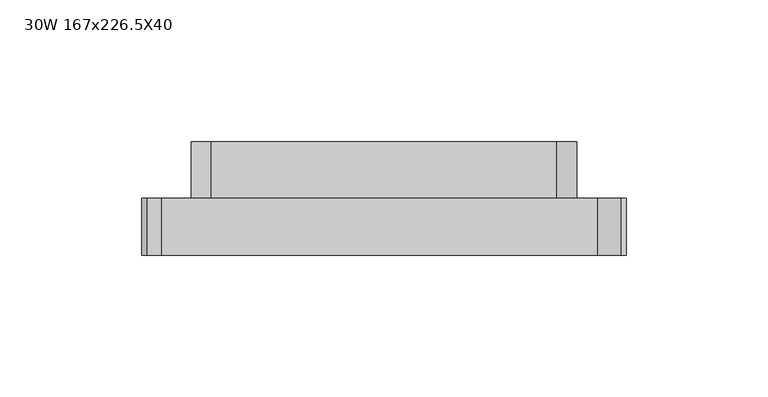
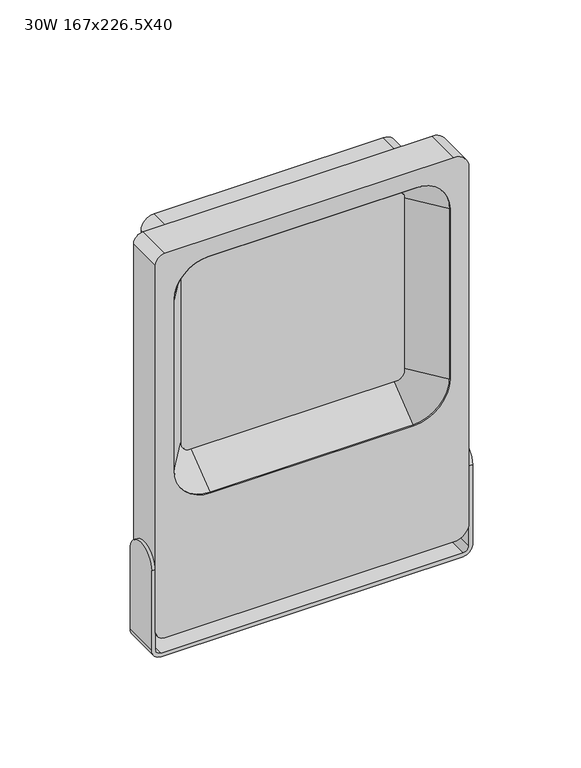
"""IFC4 building model written with IfcOpenShell, lengths in millimetres: light fixture geometry, 30W 167x226.5X40."""

from ifc_helpers import new_model, si_unit, point, frame, frame_2d, origin, place, context, project, spatial, polyline, circle_curve, trimmed, segment, composite_curve, outline, extrude, source, transform, mapped, element, save
from ifc_brep_helpers import plane_surface, cylinder_surface, revolved_surface, advanced_brep


def light_fixture_30w_167x226_5x40_cb94bb70(model_context):
    return source(origin(), model_context, "Body", "SolidModel", [
        extrude(outline(composite_curve([segment(trimmed(circle_curve(frame_2d((91.4881519, 61.0118481)), 7.0), [point((84.4881519, 61.0118481))], [point((91.4881519, 68.0118481))], False, "CARTESIAN"), True, "CONTINUOUS"), segment(polyline([(91.4881519, 68.0118481), (211.5118481, 68.0118481)]), True, "CONTINUOUS"), segment(trimmed(circle_curve(frame_2d((211.5118481, 61.0118481)), 7.0), [point((211.5118481, 68.0118481))], [point((218.5118481, 61.0118481))], False, "CARTESIAN"), True, "CONTINUOUS"), segment(polyline([(218.5118481, 61.0118481), (218.5118481, -61.0118481)]), True, "CONTINUOUS"), segment(trimmed(circle_curve(frame_2d((211.5118481, -61.0118481)), 7.0), [point((218.5118481, -61.0118481))], [point((211.5118481, -68.0118481))], False, "CARTESIAN"), True, "CONTINUOUS"), segment(polyline([(211.5118481, -68.0118481), (91.4881519, -68.0118481)]), True, "CONTINUOUS"), segment(trimmed(circle_curve(frame_2d((91.4881519, -61.0118481)), 7.0), [point((91.4881519, -68.0118481))], [point((84.4881519, -61.0118481))], False, "CARTESIAN"), True, "CONTINUOUS"), segment(polyline([(84.4881519, -61.0118481), (84.4881519, 61.0118481)]), True, "CONTINUOUS")], self_intersect=False)), frame((0.0, 10.0, 0.0), z_axis=(0.0, 1.0, 0.0), x_axis=(0.0, 0.0, 1.0)), (0.0, 0.0, 1.0), 20.0),
        advanced_brep(
        [(75.5, -10.0, 10.0), (83.5, -10.0, 18.0), (83.5, -10.0, 50.0), (83.5, -10.0, 65.0), (83.5, -10.0, 218.5), (75.5, -10.0, 226.5), (-78.5, -10.0, 226.5), (-83.5, -10.0, 221.5), (-83.5, -10.0, 65.0), (-83.5, -10.0, 50.0), (-83.5, -10.0, 15.0), (-78.5, -10.0, 10.0), (-55.5, -10.0, 216.5118481), (55.5, -10.0, 216.5118481), (73.5118481, -10.0, 198.5), (73.5118481, -10.0, 102.3823529), (54.0882353, -10.0, 82.9587401), (-54.0882353, -10.0, 82.9587401), (-73.5118481, -10.0, 102.3823529), (-73.5118481, -10.0, 198.5), (75.5, 10.0, 10.0), (-78.5, 10.0, 10.0), (-83.5, 10.0, 15.0), (-83.5, 10.0, 50.0), (-83.5, 10.0, 65.0), (-83.5, 10.0, 221.5), (-78.5, 10.0, 226.5), (75.5, 10.0, 226.5), (83.5, 10.0, 218.5), (83.5, 10.0, 65.0), (83.5, 10.0, 50.0), (83.5, 10.0, 18.0), (-55.5, 10.0, 216.5118481), (-73.5118481, 10.0, 198.5), (-73.5118481, 10.0, 102.3823529), (-54.0882353, 10.0, 82.9587401), (54.0882353, 10.0, 82.9587401), (73.5118481, 10.0, 102.3823529), (73.5118481, 10.0, 198.5), (55.5, 10.0, 216.5118481)],
        [
            (0, 1, circle_curve(frame((75.5, -10.0, 18.0), z_axis=(0.0, -1.0, 0.0), x_axis=(0.0, 0.0, -1.0)), 8.0)),
            (1, 2),
            (2, 3),
            (3, 4),
            (4, 5, circle_curve(frame((75.5, -10.0, 218.5), z_axis=(0.0, -1.0, 0.0), x_axis=(0.0, 0.0, -1.0)), 8.0)),
            (5, 6),
            (6, 7, circle_curve(frame((-78.5, -10.0, 221.5), z_axis=(0.0, -1.0, 0.0), x_axis=(0.0, 0.0, -1.0)), 5.0)),
            (7, 8),
            (8, 9),
            (9, 10),
            (10, 11, circle_curve(frame((-78.5, -10.0, 15.0), z_axis=(0.0, -1.0, 0.0), x_axis=(0.0, 0.0, -1.0)), 5.0)),
            (11, 0),
            (12, 13),
            (13, 14, circle_curve(frame((55.5, -10.0, 198.5), z_axis=(0.0, 1.0, 0.0), x_axis=(0.0, 0.0, -1.0)), 18.0118481)),
            (14, 15),
            (15, 16, circle_curve(frame((54.0882353, -10.0, 102.3823529), z_axis=(0.0, 1.0, 0.0), x_axis=(0.0, 0.0, -1.0)), 19.4236128)),
            (16, 17),
            (17, 18, circle_curve(frame((-54.0882353, -10.0, 102.3823529), z_axis=(0.0, 1.0, 0.0), x_axis=(0.0, 0.0, -1.0)), 19.4236128)),
            (18, 19),
            (19, 12, circle_curve(frame((-55.5, -10.0, 198.5), z_axis=(0.0, 1.0, 0.0), x_axis=(0.0, 0.0, -1.0)), 18.0118481)),
            (20, 21),
            (21, 22, circle_curve(frame((-78.5, 10.0, 15.0), z_axis=(0.0, 1.0, 0.0), x_axis=(0.0, 0.0, -1.0)), 5.0)),
            (22, 23),
            (23, 24),
            (24, 25),
            (25, 26, circle_curve(frame((-78.5, 10.0, 221.5), z_axis=(0.0, 1.0, 0.0), x_axis=(0.0, 0.0, -1.0)), 5.0)),
            (26, 27),
            (27, 28, circle_curve(frame((75.5, 10.0, 218.5), z_axis=(0.0, 1.0, 0.0), x_axis=(0.0, 0.0, -1.0)), 8.0)),
            (28, 29),
            (29, 30),
            (30, 31),
            (31, 20, circle_curve(frame((75.5, 10.0, 18.0), z_axis=(0.0, 1.0, 0.0), x_axis=(0.0, 0.0, -1.0)), 8.0)),
            (32, 33, circle_curve(frame((-55.5, 10.0, 198.5), z_axis=(0.0, -1.0, 0.0), x_axis=(0.0, 0.0, -1.0)), 18.0118481)),
            (33, 34),
            (34, 35, circle_curve(frame((-54.0882353, 10.0, 102.3823529), z_axis=(0.0, -1.0, 0.0), x_axis=(0.0, 0.0, -1.0)), 19.4236128)),
            (35, 36),
            (36, 37, circle_curve(frame((54.0882353, 10.0, 102.3823529), z_axis=(0.0, -1.0, 0.0), x_axis=(0.0, 0.0, -1.0)), 19.4236128)),
            (37, 38),
            (38, 39, circle_curve(frame((55.5, 10.0, 198.5), z_axis=(0.0, -1.0, 0.0), x_axis=(0.0, 0.0, -1.0)), 18.0118481)),
            (39, 32),
            (0, 20),
            (31, 1),
            (28, 4),
            (27, 5),
            (26, 6),
            (25, 7),
            (22, 10),
            (21, 11),
            (12, 32),
            (39, 13),
            (38, 14),
            (37, 15),
            (36, 16),
            (35, 17),
            (34, 18),
            (33, 19),
        ],
        [
            plane_surface(frame((75.5, -10.0, 10.0), z_axis=(0.0, -1.0, 0.0), x_axis=(1.0, 0.0, 0.0))),
            plane_surface(frame((75.5, 10.0, 10.0), z_axis=(0.0, 1.0, 0.0), x_axis=(-1.0, 0.0, 0.0))),
            cylinder_surface(frame((75.5, 10.0, 18.0), z_axis=(0.0, -1.0, 0.0), x_axis=(0.0, 0.0, -1.0)), 8.0),
            plane_surface(frame((83.5, -10.0, 18.0), z_axis=(1.0, 0.0, 0.0), x_axis=(0.0, 1.0, 0.0))),
            cylinder_surface(frame((75.5, 10.0, 218.5), z_axis=(0.0, -1.0, 0.0), x_axis=(0.0, 0.0, -1.0)), 8.0),
            plane_surface(frame((75.5, -10.0, 226.5), z_axis=(0.0, 0.0, 1.0), x_axis=(0.0, 1.0, 0.0))),
            cylinder_surface(frame((-78.5, 10.0, 221.5), z_axis=(0.0, -1.0, 0.0), x_axis=(0.0, 0.0, -1.0)), 5.0),
            plane_surface(frame((-83.5, -10.0, 221.5), z_axis=(-1.0, 0.0, 0.0), x_axis=(0.0, 1.0, 0.0))),
            cylinder_surface(frame((-78.5, 10.0, 15.0), z_axis=(0.0, -1.0, 0.0), x_axis=(0.0, 0.0, -1.0)), 5.0),
            plane_surface(frame((-78.5, -10.0, 10.0), z_axis=(0.0, 0.0, -1.0), x_axis=(0.0, 1.0, 0.0))),
            plane_surface(frame((-55.5, -10.0, 216.5118481), z_axis=(0.0, 0.0, -1.0), x_axis=(0.0, 1.0, 0.0))),
            revolved_surface(polyline([(55.5, 10.0, 180.4881519), (55.5, -10.0, 180.4881519)]), (55.5, 0.0, 198.5), (0.0, 1.0, 0.0)),
            plane_surface(frame((73.5118481, -10.0, 198.5), z_axis=(-1.0, 0.0, 0.0), x_axis=(0.0, 1.0, 0.0))),
            revolved_surface(polyline([(54.0882353, 10.0, 82.9587401), (54.0882353, -10.0, 82.9587401)]), (54.0882353, 0.0, 102.3823529), (0.0, 1.0, 0.0)),
            plane_surface(frame((54.0882353, -10.0, 82.9587401), z_axis=(0.0, 0.0, 1.0), x_axis=(0.0, 1.0, 0.0))),
            revolved_surface(polyline([(-54.0882353, 10.0, 82.9587401), (-54.0882353, -10.0, 82.9587401)]), (-54.0882353, 0.0, 102.3823529), (0.0, 1.0, 0.0)),
            plane_surface(frame((-73.5118481, -10.0, 102.3823529), z_axis=(1.0, 0.0, 0.0), x_axis=(0.0, 1.0, 0.0))),
            revolved_surface(polyline([(-55.5, 10.0, 180.4881519), (-55.5, -10.0, 180.4881519)]), (-55.5, 0.0, 198.5), (0.0, 1.0, 0.0)),
        ],
        [
            (0, [[1, 2, 3, 4, 5, 6, 7, 8, 9, 10, 11, 12], [13, 14, 15, 16, 17, 18, 19, 20]]),
            (1, [[21, 22, 23, 24, 25, 26, 27, 28, 29, 30, 31, 32], [33, 34, 35, 36, 37, 38, 39, 40]]),
            (2, [[-1, 41, -32, 42]]),
            (3, [[-42, -31, -30, -29, 43, -4, -3, -2]]),
            (4, [[-5, -43, -28, 44]]),
            (5, [[-6, -44, -27, 45]]),
            (6, [[-7, -45, -26, 46]]),
            (7, [[-46, -25, -24, -23, 47, -10, -9, -8]]),
            (8, [[-11, -47, -22, 48]]),
            (9, [[-12, -48, -21, -41]]),
            (10, [[-13, 49, -40, 50]]),
            (11, [[-14, -50, -39, 51]]),
            (12, [[-15, -51, -38, 52]]),
            (13, [[-16, -52, -37, 53]]),
            (14, [[-17, -53, -36, 54]]),
            (15, [[-18, -54, -35, 55]]),
            (16, [[-19, -55, -34, 56]]),
            (17, [[-20, -56, -33, -49]]),
        ],
    ),
        advanced_brep(
        [(-83.5, 10.0, 5.0), (-80.5, 10.0, 2.0), (80.5, 10.0, 2.0), (83.5, 10.0, 5.0), (83.5, 10.0, 50.0), (85.5, 10.0, 50.0), (85.5, 10.0, 5.0), (80.5, 10.0, 0.0), (-80.5, 10.0, 0.0), (-85.5, 10.0, 5.0), (-85.5, 10.0, 50.0), (-83.5, 10.0, 50.0), (-85.5, -10.0, 5.0), (-80.5, -10.0, 0.0), (80.5, -10.0, 0.0), (85.5, -10.0, 5.0), (85.5, -10.0, 50.0), (83.5, -10.0, 50.0), (83.5, -10.0, 5.0), (80.5, -10.0, 2.0), (-80.5, -10.0, 2.0), (-83.5, -10.0, 5.0), (-83.5, -10.0, 50.0), (-85.5, -10.0, 50.0), (85.5, 0.0, 60.0), (83.5, 0.0, 60.0), (-83.5, 0.0, 60.0), (-85.5, 0.0, 60.0)],
        [
            (0, 1, circle_curve(frame((-80.5, 10.0, 5.0), z_axis=(0.0, -1.0, 0.0), x_axis=(1.0, 0.0, 0.0)), 3.0)),
            (1, 2),
            (2, 3, circle_curve(frame((80.5, 10.0, 5.0), z_axis=(0.0, -1.0, 0.0), x_axis=(1.0, 0.0, 0.0)), 3.0)),
            (3, 4),
            (4, 5),
            (5, 6),
            (6, 7, circle_curve(frame((80.5, 10.0, 5.0), z_axis=(0.0, 1.0, 0.0), x_axis=(1.0, 0.0, 0.0)), 5.0)),
            (7, 8),
            (8, 9, circle_curve(frame((-80.5, 10.0, 5.0), z_axis=(0.0, 1.0, 0.0), x_axis=(1.0, 0.0, 0.0)), 5.0)),
            (9, 10),
            (10, 11),
            (11, 0),
            (12, 13, circle_curve(frame((-80.5, -10.0, 5.0), z_axis=(0.0, -1.0, 0.0), x_axis=(1.0, 0.0, 0.0)), 5.0)),
            (13, 14),
            (14, 15, circle_curve(frame((80.5, -10.0, 5.0), z_axis=(0.0, -1.0, 0.0), x_axis=(1.0, 0.0, 0.0)), 5.0)),
            (15, 16),
            (16, 17),
            (17, 18),
            (18, 19, circle_curve(frame((80.5, -10.0, 5.0), z_axis=(0.0, 1.0, 0.0), x_axis=(1.0, 0.0, 0.0)), 3.0)),
            (19, 20),
            (20, 21, circle_curve(frame((-80.5, -10.0, 5.0), z_axis=(0.0, 1.0, 0.0), x_axis=(1.0, 0.0, 0.0)), 3.0)),
            (21, 22),
            (22, 23),
            (23, 12),
            (8, 13),
            (12, 9),
            (7, 14),
            (6, 15),
            (5, 24, circle_curve(frame((85.5, 0.0, 50.0), z_axis=(1.0, 0.0, 0.0), x_axis=(0.0, 0.0, -1.0)), 10.0)),
            (24, 16, circle_curve(frame((85.5, 0.0, 50.0), z_axis=(1.0, 0.0, 0.0), x_axis=(0.0, 0.0, -1.0)), 10.0)),
            (3, 18),
            (17, 25, circle_curve(frame((83.5, 0.0, 50.0), z_axis=(-1.0, 0.0, 0.0), x_axis=(0.0, 0.0, -1.0)), 10.0)),
            (25, 4, circle_curve(frame((83.5, 0.0, 50.0), z_axis=(-1.0, 0.0, 0.0), x_axis=(0.0, 0.0, -1.0)), 10.0)),
            (2, 19),
            (1, 20),
            (0, 21),
            (11, 26, circle_curve(frame((-83.5, 0.0, 50.0), z_axis=(1.0, 0.0, 0.0), x_axis=(0.0, 0.0, 1.0)), 10.0)),
            (26, 22, circle_curve(frame((-83.5, 0.0, 50.0), z_axis=(1.0, 0.0, 0.0), x_axis=(0.0, 0.0, 1.0)), 10.0)),
            (23, 27, circle_curve(frame((-85.5, 0.0, 50.0), z_axis=(-1.0, 0.0, 0.0), x_axis=(0.0, 0.0, 1.0)), 10.0)),
            (27, 10, circle_curve(frame((-85.5, 0.0, 50.0), z_axis=(-1.0, 0.0, 0.0), x_axis=(0.0, 0.0, 1.0)), 10.0)),
        ],
        [
            plane_surface(frame((-75.5, 10.0, 5.0), z_axis=(0.0, 1.0, 0.0), x_axis=(0.0, 0.0, -1.0))),
            plane_surface(frame((-75.5, -10.0, 5.0), z_axis=(0.0, -1.0, 0.0), x_axis=(0.0, 0.0, 1.0))),
            cylinder_surface(frame((-80.5, 10.0, 5.0), z_axis=(0.0, -1.0, 0.0), x_axis=(1.0, 0.0, 0.0)), 5.0),
            plane_surface(frame((-80.5, -10.0, 0.0), z_axis=(0.0, 0.0, -1.0), x_axis=(0.0, 1.0, 0.0))),
            cylinder_surface(frame((80.5, 10.0, 5.0), z_axis=(0.0, -1.0, 0.0), x_axis=(1.0, 0.0, 0.0)), 5.0),
            plane_surface(frame((85.5, -10.0, 5.0), z_axis=(1.0, 0.0, 0.0), x_axis=(0.0, 1.0, 0.0))),
            plane_surface(frame((83.5, -10.0, 60.0), z_axis=(-1.0, 0.0, 0.0), x_axis=(0.0, 1.0, 0.0))),
            revolved_surface(polyline([(83.5, 10.0, 5.0), (83.5, -10.0, 5.0)]), (80.5, 10.0, 5.0), (0.0, 1.0, 0.0)),
            plane_surface(frame((80.5, -10.0, 2.0), z_axis=(0.0, 0.0, 1.0), x_axis=(0.0, 1.0, 0.0))),
            revolved_surface(polyline([(-77.5, 10.0, 5.0), (-77.5, -10.0, 5.0)]), (-80.5, 10.0, 5.0), (0.0, 1.0, 0.0)),
            plane_surface(frame((-83.5, -10.0, 5.0), z_axis=(1.0, 0.0, 0.0), x_axis=(0.0, 1.0, 0.0))),
            plane_surface(frame((-85.5, -10.0, 60.0), z_axis=(-1.0, 0.0, 0.0), x_axis=(0.0, 1.0, 0.0))),
            cylinder_surface(frame((-85.5, 0.0, 50.0), z_axis=(-1.0, 0.0, 0.0), x_axis=(0.0, 0.0, 1.0)), 10.0),
            cylinder_surface(frame((85.5, 0.0, 50.0), z_axis=(1.0, 0.0, 0.0), x_axis=(0.0, 0.0, -1.0)), 10.0),
        ],
        [
            (0, [[1, 2, 3, 4, 5, 6, 7, 8, 9, 10, 11, 12]]),
            (1, [[13, 14, 15, 16, 17, 18, 19, 20, 21, 22, 23, 24]]),
            (2, [[-9, 25, -13, 26]]),
            (3, [[-8, 27, -14, -25]]),
            (4, [[-7, 28, -15, -27]]),
            (5, [[-28, -6, 29, 30, -16]]),
            (6, [[31, -18, 32, 33, -4]]),
            (7, [[-3, 34, -19, -31]]),
            (8, [[-2, 35, -20, -34]]),
            (9, [[-1, 36, -21, -35]]),
            (10, [[-36, -12, 37, 38, -22]]),
            (11, [[-26, -24, 39, 40, -10]]),
            (12, [[-11, -40, -39, -23, -38, -37]]),
            (13, [[-5, -33, -32, -17, -30, -29]]),
        ],
    ),
        extrude(outline(polyline([(59.5118481, 8.0), (-59.5118481, 8.0), (-59.5118481, 10.0), (59.5118481, 10.0), (59.5118481, 8.0)])), frame((0.0, 0.0, 96.9587401), z_axis=(0.0, 0.0, 1.0), x_axis=(1.0, 0.0, 0.0)), (0.0, 0.0, 1.0), 105.553108),
        advanced_brep(
        [(-55.5, 8.0, 202.5118481), (-59.5118481, 8.0, 198.5), (-59.5118481, 10.0, 198.5), (-55.5, 10.0, 202.5118481), (-55.5, -10.0, 216.5118481), (-73.5118481, -10.0, 198.5), (-55.5, 10.0, 216.5118481), (-73.5118481, 10.0, 198.5), (55.5, 10.0, 202.5118481), (55.5, 8.0, 202.5118481), (55.5, -10.0, 216.5118481), (55.5, 10.0, 216.5118481), (59.5118481, 8.0, 198.5), (59.5118481, 10.0, 198.5), (73.5118481, -10.0, 198.5), (73.5118481, 10.0, 198.5), (59.5118481, 10.0, 102.3823529), (59.5118481, 8.0, 102.3823529), (73.5118481, -10.0, 102.3823529), (73.5118481, 10.0, 102.3823529), (54.0882353, 8.0, 96.9587401), (54.0882353, 10.0, 96.9587401), (54.0882353, -10.0, 82.9587401), (54.0882353, 10.0, 82.9587401), (-54.0882353, 10.0, 96.9587401), (-54.0882353, 8.0, 96.9587401), (-54.0882353, -10.0, 82.9587401), (-54.0882353, 10.0, 82.9587401), (-59.5118481, 8.0, 102.3823529), (-59.5118481, 10.0, 102.3823529), (-73.5118481, -10.0, 102.3823529), (-73.5118481, 10.0, 102.3823529)],
        [
            (0, 1, circle_curve(frame((-55.5, 8.0, 198.5), z_axis=(0.0, -1.0, 0.0), x_axis=(-1.0, 0.0, 0.0)), 4.0118481)),
            (1, 2),
            (2, 3, circle_curve(frame((-55.5, 10.0, 198.5), z_axis=(0.0, 1.0, 0.0), x_axis=(-1.0, 0.0, 0.0)), 4.0118481)),
            (3, 0),
            (4, 5, circle_curve(frame((-55.5, -10.0, 198.5), z_axis=(0.0, -1.0, 0.0), x_axis=(-1.0, 0.0, 0.0)), 18.0118481)),
            (5, 1),
            (0, 4),
            (6, 7, circle_curve(frame((-55.5, 10.0, 198.5), z_axis=(0.0, -1.0, 0.0), x_axis=(-1.0, 0.0, 0.0)), 18.0118481)),
            (7, 5),
            (4, 6),
            (3, 8),
            (8, 9),
            (9, 0),
            (9, 10),
            (10, 4),
            (10, 11),
            (11, 6),
            (12, 9, circle_curve(frame((55.5, 8.0, 198.5), z_axis=(0.0, -1.0, 0.0), x_axis=(0.0, 0.0, 1.0)), 4.0118481)),
            (8, 13, circle_curve(frame((55.5, 10.0, 198.5), z_axis=(0.0, 1.0, 0.0), x_axis=(0.0, 0.0, 1.0)), 4.0118481)),
            (13, 12),
            (14, 10, circle_curve(frame((55.5, -10.0, 198.5), z_axis=(0.0, -1.0, 0.0), x_axis=(0.0, 0.0, 1.0)), 18.0118481)),
            (12, 14),
            (15, 11, circle_curve(frame((55.5, 10.0, 198.5), z_axis=(0.0, -1.0, 0.0), x_axis=(0.0, 0.0, 1.0)), 18.0118481)),
            (14, 15),
            (13, 16),
            (16, 17),
            (17, 12),
            (17, 18),
            (18, 14),
            (18, 19),
            (19, 15),
            (20, 17, circle_curve(frame((54.0882353, 8.0, 102.3823529), z_axis=(0.0, -1.0, 0.0), x_axis=(1.0, 0.0, 0.0)), 5.4236128)),
            (16, 21, circle_curve(frame((54.0882353, 10.0, 102.3823529), z_axis=(0.0, 1.0, 0.0), x_axis=(1.0, 0.0, 0.0)), 5.4236128)),
            (21, 20),
            (22, 18, circle_curve(frame((54.0882353, -10.0, 102.3823529), z_axis=(0.0, -1.0, 0.0), x_axis=(1.0, 0.0, 0.0)), 19.4236128)),
            (20, 22),
            (23, 19, circle_curve(frame((54.0882353, 10.0, 102.3823529), z_axis=(0.0, -1.0, 0.0), x_axis=(1.0, 0.0, 0.0)), 19.4236128)),
            (22, 23),
            (21, 24),
            (24, 25),
            (25, 20),
            (25, 26),
            (26, 22),
            (26, 27),
            (27, 23),
            (28, 25, circle_curve(frame((-54.0882353, 8.0, 102.3823529), z_axis=(0.0, -1.0, 0.0), x_axis=(0.0, 0.0, -1.0)), 5.4236128)),
            (24, 29, circle_curve(frame((-54.0882353, 10.0, 102.3823529), z_axis=(0.0, 1.0, 0.0), x_axis=(0.0, 0.0, -1.0)), 5.4236128)),
            (29, 28),
            (30, 26, circle_curve(frame((-54.0882353, -10.0, 102.3823529), z_axis=(0.0, -1.0, 0.0), x_axis=(0.0, 0.0, -1.0)), 19.4236128)),
            (28, 30),
            (31, 27, circle_curve(frame((-54.0882353, 10.0, 102.3823529), z_axis=(0.0, -1.0, 0.0), x_axis=(0.0, 0.0, -1.0)), 19.4236128)),
            (30, 31),
            (31, 7),
            (2, 29),
            (1, 28),
            (5, 30),
        ],
        [
            revolved_surface(polyline([(-59.5118481, 10.0, 198.5), (-59.5118481, 8.0, 198.5)]), (-55.5, -10.0, 198.5), (0.0, 1.0, 0.0)),
            revolved_surface(polyline([(-59.5118481, 8.0, 198.5), (-73.5118481, -10.0, 198.5)]), (-55.5, -10.0, 198.5), (0.0, 1.0, 0.0)),
            cylinder_surface(frame((-55.5, -10.0, 198.5), z_axis=(0.0, 1.0, 0.0), x_axis=(-1.0, 0.0, 0.0)), 18.0118481),
            plane_surface(frame((-55.5, 10.0, 202.5118481), z_axis=(0.0, 0.0, -1.0), x_axis=(1.0, 0.0, 0.0))),
            plane_surface(frame((-55.5, 8.0, 202.5118481), z_axis=(0.0, -0.6139406135149148, -0.7893522173763308), x_axis=(1.0, 0.0, 0.0))),
            plane_surface(frame((-55.5, -10.0, 216.5118481), z_axis=(0.0, 0.0, 1.0), x_axis=(1.0, 0.0, 0.0))),
            revolved_surface(polyline([(55.5, 10.0, 202.5118481), (55.5, 8.0, 202.5118481)]), (55.5, -10.0, 198.5), (0.0, 1.0, 0.0)),
            revolved_surface(polyline([(55.5, 8.0, 202.5118481), (55.5, -10.0, 216.5118481)]), (55.5, -10.0, 198.5), (0.0, 1.0, 0.0)),
            cylinder_surface(frame((55.5, -10.0, 198.5), z_axis=(0.0, 1.0, 0.0), x_axis=(0.0, 0.0, 1.0)), 18.0118481),
            plane_surface(frame((59.5118481, 10.0, 198.5), z_axis=(-1.0, 0.0, 0.0), x_axis=(0.0, 0.0, -1.0))),
            plane_surface(frame((59.5118481, 8.0, 198.5), z_axis=(-0.7893522173763202, -0.6139406135149283, 0.0), x_axis=(0.0, 0.0, -1.0))),
            plane_surface(frame((73.5118481, -10.0, 198.5), z_axis=(1.0, 0.0, 0.0), x_axis=(0.0, 0.0, -1.0))),
            revolved_surface(polyline([(59.5118481, 10.0, 102.3823529), (59.5118481, 8.0, 102.3823529)]), (54.0882353, -10.0, 102.3823529), (0.0, 1.0, 0.0)),
            revolved_surface(polyline([(59.5118481, 8.0, 102.3823529), (73.5118481, -10.0, 102.3823529)]), (54.0882353, -10.0, 102.3823529), (0.0, 1.0, 0.0)),
            cylinder_surface(frame((54.0882353, -10.0, 102.3823529), z_axis=(0.0, 1.0, 0.0), x_axis=(1.0, 0.0, 0.0)), 19.4236128),
            plane_surface(frame((54.0882353, 10.0, 96.9587401), z_axis=(0.0, 0.0, 1.0), x_axis=(-1.0, 0.0, 0.0))),
            plane_surface(frame((54.0882353, 8.0, 96.9587401), z_axis=(0.0, -0.6139406135149419, 0.7893522173763097), x_axis=(-1.0, 0.0, 0.0))),
            plane_surface(frame((54.0882353, -10.0, 82.9587401), z_axis=(0.0, 0.0, -1.0), x_axis=(-1.0, 0.0, 0.0))),
            revolved_surface(polyline([(-54.0882353, 10.0, 96.9587401), (-54.0882353, 8.0, 96.9587401)]), (-54.0882353, -10.0, 102.3823529), (0.0, 1.0, 0.0)),
            revolved_surface(polyline([(-54.0882353, 8.0, 96.9587401), (-54.0882353, -10.0, 82.9587401)]), (-54.0882353, -10.0, 102.3823529), (0.0, 1.0, 0.0)),
            cylinder_surface(frame((-54.0882353, -10.0, 102.3823529), z_axis=(0.0, 1.0, 0.0), x_axis=(0.0, 0.0, -1.0)), 19.4236128),
            plane_surface(frame((-73.5118481, 10.0, 102.3823529), z_axis=(0.0, 1.0, 0.0), x_axis=(0.0, 0.0, 1.0))),
            plane_surface(frame((-59.5118481, 10.0, 102.3823529), z_axis=(1.0, 0.0, 0.0), x_axis=(0.0, 0.0, 1.0))),
            plane_surface(frame((-59.5118481, 8.0, 102.3823529), z_axis=(0.7893522173763202, -0.6139406135149283, 0.0), x_axis=(0.0, 0.0, 1.0))),
            plane_surface(frame((-73.5118481, -10.0, 102.3823529), z_axis=(-1.0, 0.0, 0.0), x_axis=(0.0, 0.0, 1.0))),
        ],
        [
            (0, [[1, 2, 3, 4]]),
            (1, [[5, 6, -1, 7]]),
            (2, [[8, 9, -5, 10]]),
            (3, [[-4, 11, 12, 13]]),
            (4, [[-7, -13, 14, 15]]),
            (5, [[-10, -15, 16, 17]]),
            (6, [[18, -12, 19, 20]]),
            (7, [[21, -14, -18, 22]]),
            (8, [[23, -16, -21, 24]]),
            (9, [[-20, 25, 26, 27]]),
            (10, [[-22, -27, 28, 29]]),
            (11, [[-24, -29, 30, 31]]),
            (12, [[32, -26, 33, 34]]),
            (13, [[35, -28, -32, 36]]),
            (14, [[37, -30, -35, 38]]),
            (15, [[-34, 39, 40, 41]]),
            (16, [[-36, -41, 42, 43]]),
            (17, [[-38, -43, 44, 45]]),
            (18, [[46, -40, 47, 48]]),
            (19, [[49, -42, -46, 50]]),
            (20, [[51, -44, -49, 52]]),
            (21, [[-45, -51, 53, -8, -17, -23, -31, -37], [54, -47, -39, -33, -25, -19, -11, -3]]),
            (22, [[-48, -54, -2, 55]]),
            (23, [[-50, -55, -6, 56]]),
            (24, [[-52, -56, -9, -53]]),
        ],
    ),
    ])


if __name__ == "__main__":
    model = new_model("IFC4")
    model_context = context("Model", 3, world=origin())
    ifc_project = project(units=[si_unit("LENGTHUNIT", "METRE", prefix="MILLI")], contexts=[model_context])
    site = spatial("IfcSite", under=ifc_project)
    building = spatial("IfcBuilding", under=site)
    placement = place(None, origin())
    light_fixture_30w_167x226_5x40_shape = light_fixture_30w_167x226_5x40_cb94bb70(model_context)
    element("IfcLightFixture", 1, ObjectType="30W 167x226.5X40", at=placement, inside=building, context=model_context, shape_type="MappedRepresentation", body=[
        mapped(light_fixture_30w_167x226_5x40_shape, transform((0.0, 0.0, 0.0), x_axis=(1.0, 0.0, 0.0), y_axis=(0.0, 1.0, 0.0), z_axis=(0.0, 0.0, 1.0))),
    ])
    save(model, "model.ifc")
